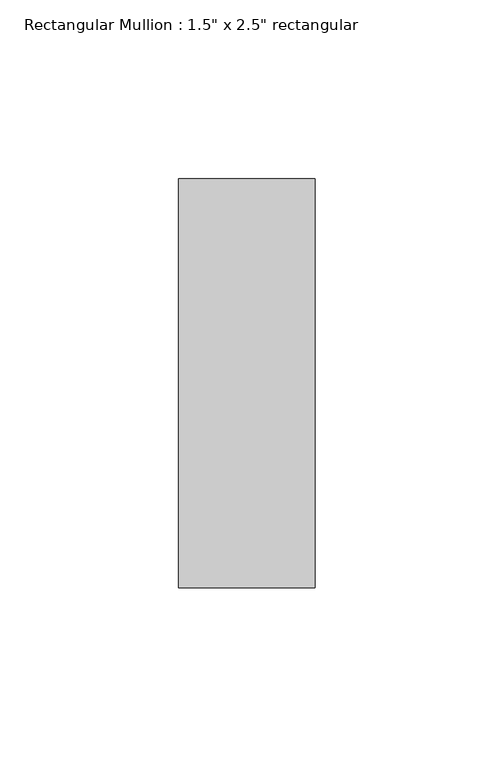
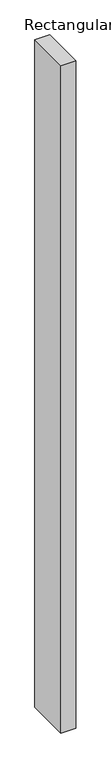
"""IFC4 building model written with IfcOpenShell, lengths in millimetres: member geometry."""

from ifc_helpers import new_model, si_unit, frame, origin, place, context, project, spatial, polyline, outline, extrude, source, transform, mapped, element, save


def member_da862d18(model_context):
    return source(origin(), model_context, "Body", "SweptSolid", [
        extrude(outline(polyline([(19.05, 57.15), (19.05, -57.15), (-19.05, -57.15), (-19.05, 57.15), (19.05, 57.15)])), frame((0.0, 0.0, -1790.7), z_axis=(0.0, 0.0, 1.0), x_axis=(1.0, 0.0, 0.0)), (0.0, 0.0, 1.0), 1790.7),
    ])


if __name__ == "__main__":
    model = new_model("IFC4")
    model_context = context("Model", 3, world=origin())
    ifc_project = project(units=[si_unit("LENGTHUNIT", "METRE", prefix="MILLI")], contexts=[model_context])
    site = spatial("IfcSite", under=ifc_project)
    building = spatial("IfcBuilding", under=site)
    placement = place(None, origin())
    member_shape = member_da862d18(model_context)
    element("IfcMember", 1, ObjectType="Rectangular Mullion : 1.5\" x 2.5\" rectangular", at=placement, inside=building, context=model_context, shape_type="MappedRepresentation", body=[
        mapped(member_shape, transform((0.0, 0.0, 0.0), x_axis=(1.0, 0.0, 0.0), y_axis=(0.0, 1.0, 0.0), z_axis=(0.0, 0.0, 1.0))),
    ])
    save(model, "model.ifc")
